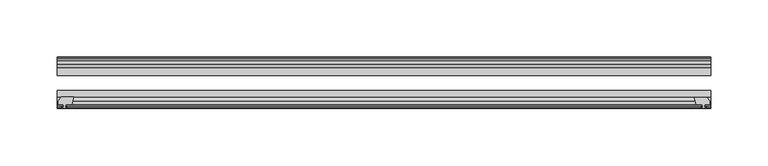
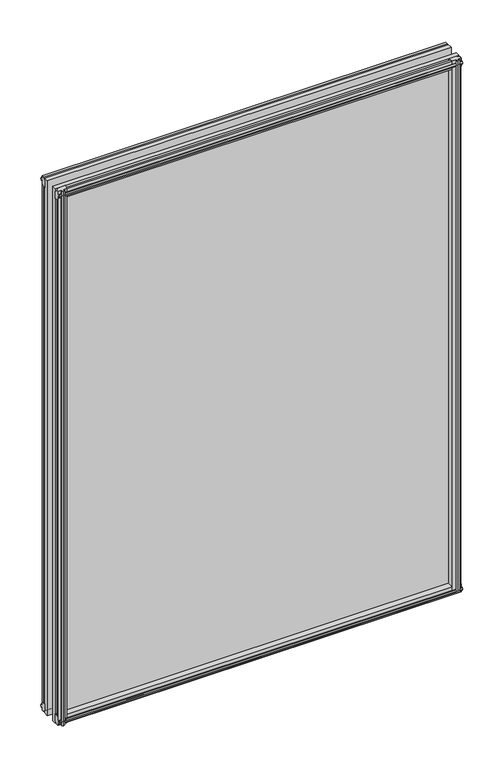
"""IFC4 building model written with IfcOpenShell, lengths in millimetres: plate geometry."""

import ifcopenshell
import ifcopenshell.guid

model = None  # the IFC model being written
_history = None  # IfcOwnerHistory: only IFC2X3 demands one
_inside = {}  # id of a spatial element -> (the spatial element, [elements in it])
_under = {}  # id of a project, library or spatial element -> (it, [spatial elements below it])
_declared = {}  # id of a project -> (the project, [libraries it declares])
_typed = {}  # id of a type object -> (the type object, [elements of that type])
_made_of = {}  # id of a material, layer set ... -> (it, [elements and type objects made of it])


def new_model(schema):
    """Start an empty IFC model of exactly this schema.

    Asked for "IFC4X3", IfcOpenShell would pick the latest addendum, in which some entities
    have other attributes; the version numbers below select the first issue.
    IFC2X3 requires an IfcOwnerHistory on every rooted entity: one is made here for all.
    """
    global model, _history
    if schema == "IFC4X3":
        model = ifcopenshell.file(schema_version=(4, 3, 0, 0))
    else:
        model = ifcopenshell.file(schema=schema)
    _inside.clear()
    _under.clear()
    _declared.clear()
    _typed.clear()
    _made_of.clear()
    _history = None
    if model.schema == "IFC2X3":
        org = make("IfcOrganization", Name="unknown")
        user = make(
            "IfcPersonAndOrganization",
            ThePerson=make("IfcPerson", FamilyName="unknown"),
            TheOrganization=org,
        )
        app = make(
            "IfcApplication",
            ApplicationDeveloper=org,
            Version="unknown",
            ApplicationFullName="unknown",
            ApplicationIdentifier="unknown",
        )
        _history = make(
            "IfcOwnerHistory",
            OwningUser=user,
            OwningApplication=app,
            ChangeAction="ADDED",
            CreationDate=0,
        )
    return model


def make(cls, **values):
    """One entity of the class cls with the attributes given. An attribute that is None is left unset."""
    return model.create_entity(
        cls, **{name: value for name, value in values.items() if value is not None}
    )


def rooted(cls, **values):
    """An entity with a GlobalId (a new one), such as an element, a storey or a relation."""
    return make(cls, GlobalId=ifcopenshell.guid.new(), OwnerHistory=_history, **values)


def si_unit(unit_type, name, prefix=None):
    """IfcSIUnit, for example si_unit("LENGTHUNIT", "METRE", prefix="MILLI")."""
    return make("IfcSIUnit", UnitType=unit_type, Prefix=prefix, Name=name)


def assignment(units):
    """IfcUnitAssignment: the units of a project."""
    return None if units is None else make("IfcUnitAssignment", Units=units)


def point(xyz):
    """IfcCartesianPoint."""
    return None if xyz is None else make("IfcCartesianPoint", Coordinates=xyz)


def direction(xyz):
    """IfcDirection."""
    return None if xyz is None else make("IfcDirection", DirectionRatios=xyz)


def frame(location, z_axis=None, x_axis=None):
    """IfcAxis2Placement3D, a coordinate frame: its origin and axes. An axis left out is left unset."""
    return make(
        "IfcAxis2Placement3D",
        Location=point(location),
        Axis=direction(z_axis),
        RefDirection=direction(x_axis),
    )


def origin():
    """The frame at (0, 0, 0) with its axes left unset."""
    return frame((0.0, 0.0, 0.0))


def place(relative_to, where):
    """IfcLocalPlacement: puts the frame where relative to a parent placement (None: the world)."""
    return make(
        "IfcLocalPlacement", PlacementRelTo=relative_to, RelativePlacement=where
    )


def context(
    kind, dimensions, precision=None, world=None, true_north=None, identifier=None
):
    """IfcGeometricRepresentationContext, for example the 3D "Model" context."""
    return make(
        "IfcGeometricRepresentationContext",
        ContextIdentifier=identifier,
        ContextType=kind,
        CoordinateSpaceDimension=dimensions,
        Precision=precision,
        WorldCoordinateSystem=world,
        TrueNorth=true_north,
    )


def project(units=None, contexts=None):
    """IfcProject with its units and contexts."""
    return rooted(
        "IfcProject",
        Name="project",
        RepresentationContexts=contexts,
        UnitsInContext=assignment(units),
    )


def spatial(cls, under=None, at=None, **own):
    """A site, building, storey or space (cls), placed at a placement, below another one or the project."""
    s = rooted(cls, ObjectPlacement=at, **own)
    if under is not None:
        _under.setdefault(under.id(), (under, []))[1].append(s)
    return s


def polyline(points):
    """IfcPolyline through the points."""
    return make("IfcPolyline", Points=[point(p) for p in points])


def outline(outer, holes=None, kind="AREA"):
    """IfcArbitraryClosedProfileDef: a profile drawn as a closed curve; with holes, ...WithVoids."""
    if holes is None:
        return make("IfcArbitraryClosedProfileDef", ProfileType=kind, OuterCurve=outer)
    return make(
        "IfcArbitraryProfileDefWithVoids",
        ProfileType=kind,
        OuterCurve=outer,
        InnerCurves=holes,
    )


def extrude(swept, where, along, depth):
    """IfcExtrudedAreaSolid: the profile swept, set in the frame where, extruded along a direction by depth."""
    return make(
        "IfcExtrudedAreaSolid",
        SweptArea=swept,
        Position=where,
        ExtrudedDirection=direction(along),
        Depth=depth,
    )


def shape(context_of_items, identifier, shape_type, items):
    """IfcShapeRepresentation: the items that make up one representation, for example the "Body"."""
    return make(
        "IfcShapeRepresentation",
        ContextOfItems=context_of_items,
        RepresentationIdentifier=identifier,
        RepresentationType=shape_type,
        Items=items,
    )


def source(mapping_origin, context_of_items, identifier, shape_type, items):
    """IfcRepresentationMap: a shape defined once, which mapped items show again and again."""
    return make(
        "IfcRepresentationMap",
        MappingOrigin=mapping_origin,
        MappedRepresentation=shape(context_of_items, identifier, shape_type, items),
    )


def transform(
    local_origin,
    x_axis=None,
    y_axis=None,
    z_axis=None,
    scale=None,
    scale2=None,
    scale3=None,
    uniform=True,
):
    """IfcCartesianTransformationOperator3D, or its non-uniform kind. x_axis, y_axis, z_axis: its Axis1, 2, 3."""
    if uniform:
        return make(
            "IfcCartesianTransformationOperator3D",
            Axis1=direction(x_axis),
            Axis2=direction(y_axis),
            LocalOrigin=point(local_origin),
            Scale=scale,
            Axis3=direction(z_axis),
        )
    return make(
        "IfcCartesianTransformationOperator3DnonUniform",
        Axis1=direction(x_axis),
        Axis2=direction(y_axis),
        LocalOrigin=point(local_origin),
        Scale=scale,
        Axis3=direction(z_axis),
        Scale2=scale2,
        Scale3=scale3,
    )


def mapped(mapping_source, mapping_target):
    """IfcMappedItem: shows the shape of a source again, moved by a transform."""
    return make(
        "IfcMappedItem", MappingSource=mapping_source, MappingTarget=mapping_target
    )


def made_of(thing, what):
    """Note that an element or type object is made of a material, layer set ...; save() writes the relation."""
    if what is not None:
        _made_of.setdefault(what.id(), (what, []))[1].append(thing)
    return thing


def element(
    cls,
    number,
    at=None,
    inside=None,
    cuts=None,
    type_object=None,
    material=None,
    context=None,
    identifier="Body",
    shape_type=None,
    held_by="IfcProductDefinitionShape",
    body=None,
    shapes=None,
    **own,
):
    """One element of the class cls, such as IfcWall. Its Tag is "e" and its number.

    at: its placement. inside: the storey or other place that contains it. cuts: it is an
    opening in that element (IfcRelVoidsElement). A single representation is given by context,
    identifier, shape_type and body (its items); several are given by shapes. held_by: the class
    of the entity that holds the representations. save() writes the other relations.
    """
    e = rooted(cls, Tag="e%d" % number, ObjectPlacement=at, **own)
    if body is not None:
        shapes = [shape(context, identifier, shape_type, body)]
    if shapes is not None:
        e.Representation = make(held_by, Representations=shapes)
    if inside is not None:
        _inside.setdefault(inside.id(), (inside, []))[1].append(e)
    if cuts is not None:
        rooted(
            "IfcRelVoidsElement", RelatingBuildingElement=cuts, RelatedOpeningElement=e
        )
    if type_object is not None:
        _typed.setdefault(type_object.id(), (type_object, []))[1].append(e)
    return made_of(e, material)


def aggregate(whole, parts):
    """IfcRelAggregates: a whole, such as a stair, and the parts it consists of."""
    return rooted("IfcRelAggregates", RelatingObject=whole, RelatedObjects=parts)


def save(model, path):
    """Write the relations noted so far, then the file.

    IfcRelAggregates (storeys below a building ...), IfcRelContainedInSpatialStructure (elements
    in a storey), IfcRelDefinesByType, IfcRelAssociatesMaterial and IfcRelDeclares: one each for
    every whole, place, type object, material and project.
    """
    for whole, parts in _under.values():
        aggregate(whole, parts)
    for where, things in _inside.values():
        rooted(
            "IfcRelContainedInSpatialStructure",
            RelatedElements=things,
            RelatingStructure=where,
        )
    for kind, things in _typed.values():
        rooted("IfcRelDefinesByType", RelatedObjects=things, RelatingType=kind)
    for what, things in _made_of.values():
        rooted("IfcRelAssociatesMaterial", RelatedObjects=things, RelatingMaterial=what)
    for by, libraries in _declared.values():
        rooted("IfcRelDeclares", RelatingContext=by, RelatedDefinitions=libraries)
    model.write(path)


def plate_ea64ff15(model_context):
    return source(origin(), model_context, "Body", "SweptSolid", [
        extrude(outline(polyline([(-271.3322819, -83.1453125), (-273.05, -89.4953125), (-278.257, -89.4953125), (-278.638, -91.8755095), (-277.2224709, -91.4155762), (-277.2224709, -92.2167904), (-279.4, -92.9243125), (-281.577529, -92.2167904), (-281.577529, -91.4155762), (-280.162, -91.8755095), (-280.543, -89.4953125), (-284.988, -89.4953125), (-284.988, -86.5489125), (-282.1536578, -83.1453125), (-271.3322819, -83.1453125)])), frame((0.0, 0.0, -12.4587), z_axis=(0.0, 0.0, 1.0), x_axis=(1.0, 0.0, 0.0)), (0.0, 0.0, 1.0), 799.6176591),
        extrude(outline(polyline([(271.3538926, -83.2252021), (282.1752685, -83.2252021), (285.0096107, -86.6288021), (285.0096107, -89.5752021), (280.5646107, -89.5752021), (280.1836107, -91.9553991), (281.5991397, -91.4954658), (281.5991397, -92.29668), (279.4216107, -93.0042021), (277.2440816, -92.29668), (277.2440816, -91.4954658), (278.6596107, -91.9553991), (278.2786107, -89.5752021), (273.0716107, -89.5752021), (271.3538926, -83.2252021)])), frame((0.0, 0.0, -9.0482291), z_axis=(0.0, 0.0, 1.0), x_axis=(1.0, 0.0, 0.0)), (0.0, 0.0, 1.0), 796.2071882),
        extrude(outline(polyline([(-280.6827, -49.0151155), (-282.098229, -49.4750488), (-282.098229, -48.6738346), (-279.9207, -47.9663125), (-277.7431709, -48.6738346), (-277.7431709, -49.4750488), (-279.1587, -49.0151155), (-278.7777, -51.3953125), (-273.5707, -51.3953125), (-271.8529819, -57.7453125), (-282.6743578, -57.7453125), (-285.5087, -54.3417125), (-285.5087, -51.3953125), (-281.0637, -51.3953125), (-280.6827, -49.0151155)])), frame((0.0, 0.0, -12.4587), z_axis=(0.0, 0.0, 1.0), x_axis=(1.0, 0.0, 0.0)), (0.0, 0.0, 1.0), 793.2676591),
        extrude(outline(polyline([(271.8529819, -57.7453125), (273.5707, -51.3953125), (278.7777, -51.3953125), (279.1587, -49.0151155), (277.7431709, -49.4750488), (277.7431709, -48.6738346), (279.9207, -47.9663125), (282.098229, -48.6738346), (282.098229, -49.4750488), (280.6827, -49.0151155), (281.0637, -51.3953125), (285.5087, -51.3953125), (285.5087, -54.3417125), (282.6743578, -57.7453125), (271.8529819, -57.7453125)])), frame((0.0, 0.0, -12.4587), z_axis=(0.0, 0.0, 1.0), x_axis=(1.0, 0.0, 0.0)), (0.0, 0.0, 1.0), 793.2676591),
        extrude(outline(polyline([(-48.6738346, -4.6931709), (-47.9663125, -6.8707), (-48.6738346, -9.0482291), (-49.4750488, -9.0482291), (-49.0151155, -7.6327), (-51.3953125, -8.0137), (-51.3953125, -12.4587), (-54.3417125, -12.4587), (-57.7453125, -9.6243578), (-57.7453125, 1.1970181), (-51.3953125, -0.5207), (-51.3953125, -5.7277), (-49.0151155, -6.1087), (-49.4750488, -4.6931709), (-48.6738346, -4.6931709)])), frame((-285.75, 0.0, 0.0), z_axis=(1.0, 0.0, 0.0), x_axis=(0.0, 1.0, 0.0)), (0.0, 0.0, 1.0), 571.5),
        extrude(outline(polyline([(-83.1453125, 1.7177181), (-83.1453125, -9.1036578), (-86.5489125, -11.938), (-89.4953125, -11.938), (-89.4953125, -7.493), (-91.8755095, -7.112), (-91.4155762, -8.5275291), (-92.2167904, -8.5275291), (-92.9243125, -6.35), (-92.2167904, -4.1724709), (-91.4155762, -4.1724709), (-91.8755095, -5.588), (-89.4953125, -5.207), (-89.4953125, 0.0), (-83.1453125, 1.7177181)])), frame((-285.75, 0.0, 0.0), z_axis=(1.0, 0.0, 0.0), x_axis=(0.0, 1.0, 0.0)), (0.0, 0.0, 1.0), 571.5),
        extrude(outline(polyline([(-49.0151155, 782.3329591), (-49.4750488, 783.7484882), (-48.6738346, 783.7484882), (-47.9663125, 781.5709591), (-48.6738346, 779.3934301), (-49.4750488, 779.3934301), (-49.0151155, 780.8089591), (-51.3953125, 780.4279591), (-51.3953125, 775.2209591), (-57.7453125, 773.5032411), (-57.7453125, 784.324617), (-54.3417125, 787.1589591), (-51.3953125, 787.1589591), (-51.3953125, 782.7139591), (-49.0151155, 782.3329591)])), frame((-285.75, 0.0, 0.0), z_axis=(1.0, 0.0, 0.0), x_axis=(0.0, 1.0, 0.0)), (0.0, 0.0, 1.0), 571.5),
        extrude(outline(polyline([(-89.4953125, 786.6382591), (-86.5489125, 786.6382591), (-83.1453125, 783.803917), (-83.1453125, 772.9825411), (-89.4953125, 774.7002591), (-89.4953125, 779.9072591), (-91.8755095, 780.2882591), (-91.4155762, 778.8727301), (-92.2167904, 778.8727301), (-92.9243125, 781.0502591), (-92.2167904, 783.2277882), (-91.4155762, 783.2277882), (-91.8755095, 781.8122591), (-89.4953125, 782.1932591), (-89.4953125, 786.6382591)])), frame((-285.75, 0.0, 0.0), z_axis=(1.0, 0.0, 0.0), x_axis=(0.0, 1.0, 0.0)), (0.0, 0.0, 1.0), 571.5),
        extrude(outline(polyline([(-285.75, -57.7453125), (285.75, -57.7453125), (285.75, -64.0953125), (-285.75, -64.0953125), (-285.75, -57.7453125)])), frame((0.0, 0.0, -12.7), z_axis=(0.0, 0.0, 1.0), x_axis=(1.0, 0.0, 0.0)), (0.0, 0.0, 1.0), 800.1002591),
        extrude(outline(polyline([(-285.75, -77.1178925), (285.75, -77.1178925), (285.75, -83.1453125), (-285.75, -83.1453125), (-285.75, -77.1178925)])), frame((0.0, 0.0, -12.7), z_axis=(0.0, 0.0, 1.0), x_axis=(1.0, 0.0, 0.0)), (0.0, 0.0, 1.0), 800.1002591),
    ])


if __name__ == "__main__":
    model = new_model("IFC4")
    model_context = context("Model", 3, world=origin())
    ifc_project = project(units=[si_unit("LENGTHUNIT", "METRE", prefix="MILLI")], contexts=[model_context])
    site = spatial("IfcSite", under=ifc_project)
    building = spatial("IfcBuilding", under=site)
    placement = place(None, origin())
    plate_shape = plate_ea64ff15(model_context)
    element("IfcPlate", 1, at=placement, inside=building, context=model_context, shape_type="MappedRepresentation", body=[
        mapped(plate_shape, transform((0.0, 0.0, 0.0), x_axis=(1.0, 0.0, 0.0), y_axis=(0.0, 1.0, 0.0), z_axis=(0.0, 0.0, 1.0))),
    ])
    save(model, "model.ifc")
